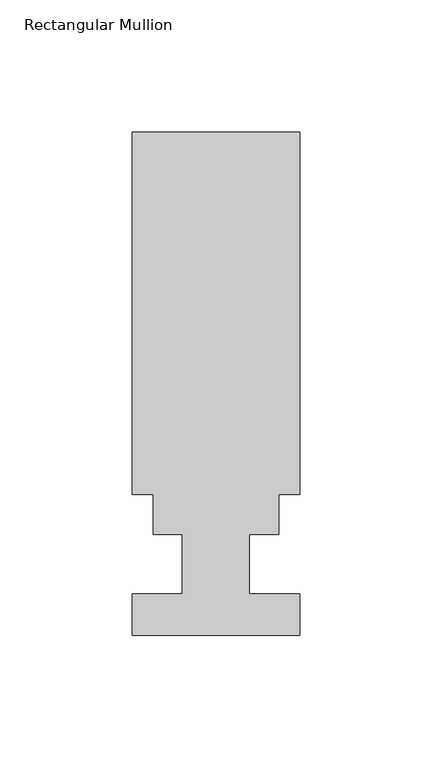
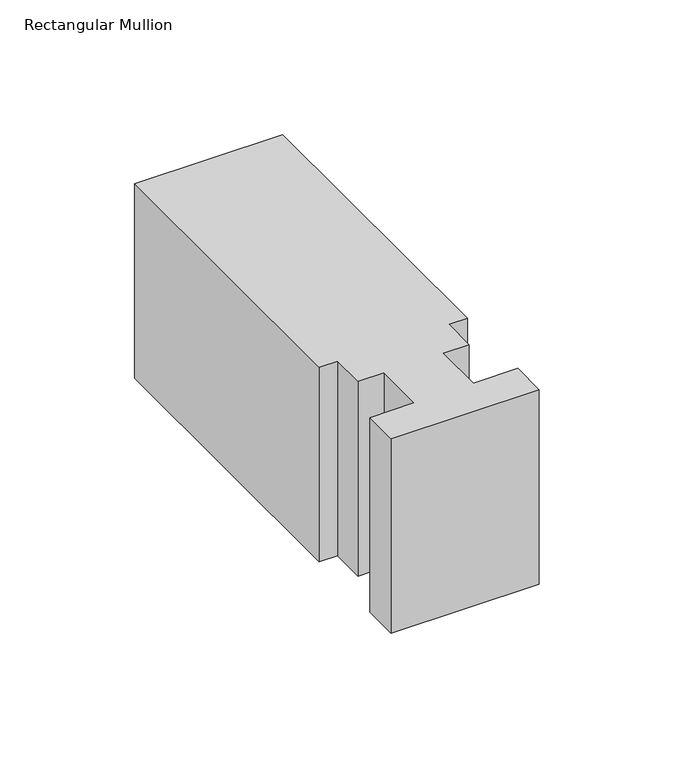
"""IFC4 building model written with IfcOpenShell, lengths in millimetres: member geometry, Rectangular Mullion."""

import ifcopenshell
import ifcopenshell.guid

model = None  # the IFC model being written
_history = None  # IfcOwnerHistory: only IFC2X3 demands one
_inside = {}  # id of a spatial element -> (the spatial element, [elements in it])
_under = {}  # id of a project, library or spatial element -> (it, [spatial elements below it])
_declared = {}  # id of a project -> (the project, [libraries it declares])
_typed = {}  # id of a type object -> (the type object, [elements of that type])
_made_of = {}  # id of a material, layer set ... -> (it, [elements and type objects made of it])


def new_model(schema):
    """Start an empty IFC model of exactly this schema.

    Asked for "IFC4X3", IfcOpenShell would pick the latest addendum, in which some entities
    have other attributes; the version numbers below select the first issue.
    IFC2X3 requires an IfcOwnerHistory on every rooted entity: one is made here for all.
    """
    global model, _history
    if schema == "IFC4X3":
        model = ifcopenshell.file(schema_version=(4, 3, 0, 0))
    else:
        model = ifcopenshell.file(schema=schema)
    _inside.clear()
    _under.clear()
    _declared.clear()
    _typed.clear()
    _made_of.clear()
    _history = None
    if model.schema == "IFC2X3":
        org = make("IfcOrganization", Name="unknown")
        user = make(
            "IfcPersonAndOrganization",
            ThePerson=make("IfcPerson", FamilyName="unknown"),
            TheOrganization=org,
        )
        app = make(
            "IfcApplication",
            ApplicationDeveloper=org,
            Version="unknown",
            ApplicationFullName="unknown",
            ApplicationIdentifier="unknown",
        )
        _history = make(
            "IfcOwnerHistory",
            OwningUser=user,
            OwningApplication=app,
            ChangeAction="ADDED",
            CreationDate=0,
        )
    return model


def make(cls, **values):
    """One entity of the class cls with the attributes given. An attribute that is None is left unset."""
    return model.create_entity(
        cls, **{name: value for name, value in values.items() if value is not None}
    )


def rooted(cls, **values):
    """An entity with a GlobalId (a new one), such as an element, a storey or a relation."""
    return make(cls, GlobalId=ifcopenshell.guid.new(), OwnerHistory=_history, **values)


def si_unit(unit_type, name, prefix=None):
    """IfcSIUnit, for example si_unit("LENGTHUNIT", "METRE", prefix="MILLI")."""
    return make("IfcSIUnit", UnitType=unit_type, Prefix=prefix, Name=name)


def assignment(units):
    """IfcUnitAssignment: the units of a project."""
    return None if units is None else make("IfcUnitAssignment", Units=units)


def point(xyz):
    """IfcCartesianPoint."""
    return None if xyz is None else make("IfcCartesianPoint", Coordinates=xyz)


def direction(xyz):
    """IfcDirection."""
    return None if xyz is None else make("IfcDirection", DirectionRatios=xyz)


def frame(location, z_axis=None, x_axis=None):
    """IfcAxis2Placement3D, a coordinate frame: its origin and axes. An axis left out is left unset."""
    return make(
        "IfcAxis2Placement3D",
        Location=point(location),
        Axis=direction(z_axis),
        RefDirection=direction(x_axis),
    )


def origin():
    """The frame at (0, 0, 0) with its axes left unset."""
    return frame((0.0, 0.0, 0.0))


def place(relative_to, where):
    """IfcLocalPlacement: puts the frame where relative to a parent placement (None: the world)."""
    return make(
        "IfcLocalPlacement", PlacementRelTo=relative_to, RelativePlacement=where
    )


def context(
    kind, dimensions, precision=None, world=None, true_north=None, identifier=None
):
    """IfcGeometricRepresentationContext, for example the 3D "Model" context."""
    return make(
        "IfcGeometricRepresentationContext",
        ContextIdentifier=identifier,
        ContextType=kind,
        CoordinateSpaceDimension=dimensions,
        Precision=precision,
        WorldCoordinateSystem=world,
        TrueNorth=true_north,
    )


def project(units=None, contexts=None):
    """IfcProject with its units and contexts."""
    return rooted(
        "IfcProject",
        Name="project",
        RepresentationContexts=contexts,
        UnitsInContext=assignment(units),
    )


def spatial(cls, under=None, at=None, **own):
    """A site, building, storey or space (cls), placed at a placement, below another one or the project."""
    s = rooted(cls, ObjectPlacement=at, **own)
    if under is not None:
        _under.setdefault(under.id(), (under, []))[1].append(s)
    return s


def polyline(points):
    """IfcPolyline through the points."""
    return make("IfcPolyline", Points=[point(p) for p in points])


def outline(outer, holes=None, kind="AREA"):
    """IfcArbitraryClosedProfileDef: a profile drawn as a closed curve; with holes, ...WithVoids."""
    if holes is None:
        return make("IfcArbitraryClosedProfileDef", ProfileType=kind, OuterCurve=outer)
    return make(
        "IfcArbitraryProfileDefWithVoids",
        ProfileType=kind,
        OuterCurve=outer,
        InnerCurves=holes,
    )


def extrude(swept, where, along, depth):
    """IfcExtrudedAreaSolid: the profile swept, set in the frame where, extruded along a direction by depth."""
    return make(
        "IfcExtrudedAreaSolid",
        SweptArea=swept,
        Position=where,
        ExtrudedDirection=direction(along),
        Depth=depth,
    )


def shape(context_of_items, identifier, shape_type, items):
    """IfcShapeRepresentation: the items that make up one representation, for example the "Body"."""
    return make(
        "IfcShapeRepresentation",
        ContextOfItems=context_of_items,
        RepresentationIdentifier=identifier,
        RepresentationType=shape_type,
        Items=items,
    )


def source(mapping_origin, context_of_items, identifier, shape_type, items):
    """IfcRepresentationMap: a shape defined once, which mapped items show again and again."""
    return make(
        "IfcRepresentationMap",
        MappingOrigin=mapping_origin,
        MappedRepresentation=shape(context_of_items, identifier, shape_type, items),
    )


def transform(
    local_origin,
    x_axis=None,
    y_axis=None,
    z_axis=None,
    scale=None,
    scale2=None,
    scale3=None,
    uniform=True,
):
    """IfcCartesianTransformationOperator3D, or its non-uniform kind. x_axis, y_axis, z_axis: its Axis1, 2, 3."""
    if uniform:
        return make(
            "IfcCartesianTransformationOperator3D",
            Axis1=direction(x_axis),
            Axis2=direction(y_axis),
            LocalOrigin=point(local_origin),
            Scale=scale,
            Axis3=direction(z_axis),
        )
    return make(
        "IfcCartesianTransformationOperator3DnonUniform",
        Axis1=direction(x_axis),
        Axis2=direction(y_axis),
        LocalOrigin=point(local_origin),
        Scale=scale,
        Axis3=direction(z_axis),
        Scale2=scale2,
        Scale3=scale3,
    )


def mapped(mapping_source, mapping_target):
    """IfcMappedItem: shows the shape of a source again, moved by a transform."""
    return make(
        "IfcMappedItem", MappingSource=mapping_source, MappingTarget=mapping_target
    )


def made_of(thing, what):
    """Note that an element or type object is made of a material, layer set ...; save() writes the relation."""
    if what is not None:
        _made_of.setdefault(what.id(), (what, []))[1].append(thing)
    return thing


def element(
    cls,
    number,
    at=None,
    inside=None,
    cuts=None,
    type_object=None,
    material=None,
    context=None,
    identifier="Body",
    shape_type=None,
    held_by="IfcProductDefinitionShape",
    body=None,
    shapes=None,
    **own,
):
    """One element of the class cls, such as IfcWall. Its Tag is "e" and its number.

    at: its placement. inside: the storey or other place that contains it. cuts: it is an
    opening in that element (IfcRelVoidsElement). A single representation is given by context,
    identifier, shape_type and body (its items); several are given by shapes. held_by: the class
    of the entity that holds the representations. save() writes the other relations.
    """
    e = rooted(cls, Tag="e%d" % number, ObjectPlacement=at, **own)
    if body is not None:
        shapes = [shape(context, identifier, shape_type, body)]
    if shapes is not None:
        e.Representation = make(held_by, Representations=shapes)
    if inside is not None:
        _inside.setdefault(inside.id(), (inside, []))[1].append(e)
    if cuts is not None:
        rooted(
            "IfcRelVoidsElement", RelatingBuildingElement=cuts, RelatedOpeningElement=e
        )
    if type_object is not None:
        _typed.setdefault(type_object.id(), (type_object, []))[1].append(e)
    return made_of(e, material)


def aggregate(whole, parts):
    """IfcRelAggregates: a whole, such as a stair, and the parts it consists of."""
    return rooted("IfcRelAggregates", RelatingObject=whole, RelatedObjects=parts)


def save(model, path):
    """Write the relations noted so far, then the file.

    IfcRelAggregates (storeys below a building ...), IfcRelContainedInSpatialStructure (elements
    in a storey), IfcRelDefinesByType, IfcRelAssociatesMaterial and IfcRelDeclares: one each for
    every whole, place, type object, material and project.
    """
    for whole, parts in _under.values():
        aggregate(whole, parts)
    for where, things in _inside.values():
        rooted(
            "IfcRelContainedInSpatialStructure",
            RelatedElements=things,
            RelatingStructure=where,
        )
    for kind, things in _typed.values():
        rooted("IfcRelDefinesByType", RelatedObjects=things, RelatingType=kind)
    for what, things in _made_of.values():
        rooted("IfcRelAssociatesMaterial", RelatedObjects=things, RelatingMaterial=what)
    for by, libraries in _declared.values():
        rooted("IfcRelDeclares", RelatingContext=by, RelatedDefinitions=libraries)
    model.write(path)


def rectangular_mullion_2e1f6a04(model_context):
    return source(origin(), model_context, "Body", "SweptSolid", [
        extrude(outline(polyline([(31.75, 152.4992188), (31.75, 15.1614188), (23.8252, 15.1614188), (23.8252, 0.0992187), (12.7, 0.0992187), (12.7, -22.3797812), (31.75, -22.3797812), (31.75, -38.2293812), (-31.75, -38.2293812), (-31.75, -22.3797812), (-12.7, -22.3797812), (-12.7, 0.0992187), (-23.8252, 0.0992187), (-23.8252, 15.1614188), (-31.75, 15.1614188), (-31.75, 152.4992188), (31.75, 152.4992188)])), frame((0.0, 0.0, -88.2733795), z_axis=(0.0, 0.0, 1.0), x_axis=(1.0, 0.0, 0.0)), (0.0, 0.0, 1.0), 88.2733795),
    ])


if __name__ == "__main__":
    model = new_model("IFC4")
    model_context = context("Model", 3, world=origin())
    ifc_project = project(units=[si_unit("LENGTHUNIT", "METRE", prefix="MILLI")], contexts=[model_context])
    site = spatial("IfcSite", under=ifc_project)
    building = spatial("IfcBuilding", under=site)
    placement = place(None, origin())
    rectangular_mullion_shape = rectangular_mullion_2e1f6a04(model_context)
    element("IfcMember", 1, ObjectType="Rectangular Mullion", at=placement, inside=building, context=model_context, shape_type="MappedRepresentation", body=[
        mapped(rectangular_mullion_shape, transform((0.0, 0.0, 0.0), x_axis=(1.0, 0.0, 0.0), y_axis=(0.0, 1.0, 0.0), z_axis=(0.0, 0.0, 1.0))),
    ])
    save(model, "model.ifc")
